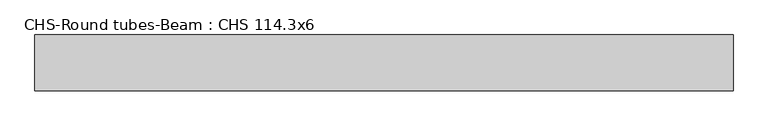
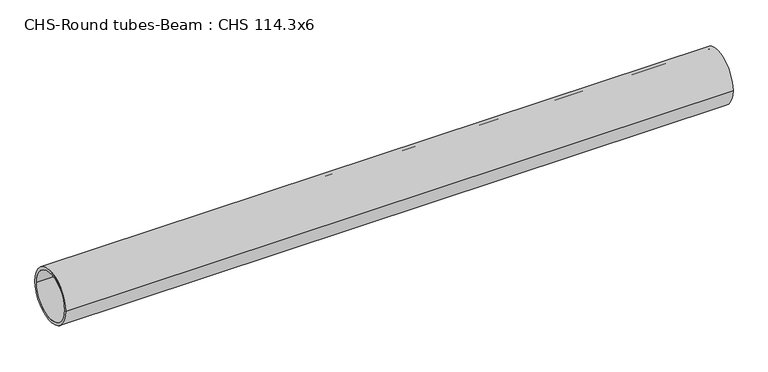
"""IFC4 building model written with IfcOpenShell, lengths in millimetres: beam geometry, CHS-Round tubes-Beam : CHS 114.3x6."""

from ifc_helpers import new_model, si_unit, point, frame, origin, origin_2d, place, context, project, spatial, circle_curve, trimmed, segment, composite_curve, outline, extrude, source, transform, mapped, element, save


def chs_round_tubes_beam_chs_114_3x6_08e79c5f(model_context):
    return source(origin(), model_context, "Body", "SweptSolid", [
        extrude(outline(composite_curve([segment(trimmed(circle_curve(origin_2d(), 57.15), [point((57.15, 0.0))], [point((-57.15, 0.0))], False, "CARTESIAN"), True, "CONTINUOUS"), segment(trimmed(circle_curve(origin_2d(), 57.15), [point((-57.15, 0.0))], [point((57.15, 0.0))], False, "CARTESIAN"), True, "CONTINUOUS")], self_intersect=False), holes=[composite_curve([segment(trimmed(circle_curve(origin_2d(), 51.15), [point((51.15, 0.0))], [point((-51.15, 0.0))], True, "CARTESIAN"), True, "CONTINUOUS"), segment(trimmed(circle_curve(origin_2d(), 51.15), [point((-51.15, 0.0))], [point((51.15, 0.0))], True, "CARTESIAN"), True, "CONTINUOUS")], self_intersect=False)]), frame((-770.3897073, 0.0, 0.0), z_axis=(1.0, 0.0, 0.0), x_axis=(0.0, 1.0, 0.0)), (0.0, 0.0, 1.0), 1423.8925462),
    ])


if __name__ == "__main__":
    model = new_model("IFC4")
    model_context = context("Model", 3, world=origin())
    ifc_project = project(units=[si_unit("LENGTHUNIT", "METRE", prefix="MILLI")], contexts=[model_context])
    site = spatial("IfcSite", under=ifc_project)
    building = spatial("IfcBuilding", under=site)
    placement = place(None, origin())
    chs_round_tubes_beam_chs_114_3x6_shape = chs_round_tubes_beam_chs_114_3x6_08e79c5f(model_context)
    element("IfcBeam", 1, ObjectType="CHS-Round tubes-Beam : CHS 114.3x6", at=placement, inside=building, context=model_context, shape_type="MappedRepresentation", body=[
        mapped(chs_round_tubes_beam_chs_114_3x6_shape, transform((0.0, 0.0, 0.0), x_axis=(1.0, 0.0, 0.0), y_axis=(0.0, 1.0, 0.0), z_axis=(0.0, 0.0, 1.0))),
    ])
    save(model, "model.ifc")
